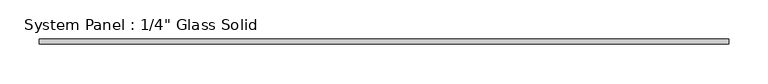
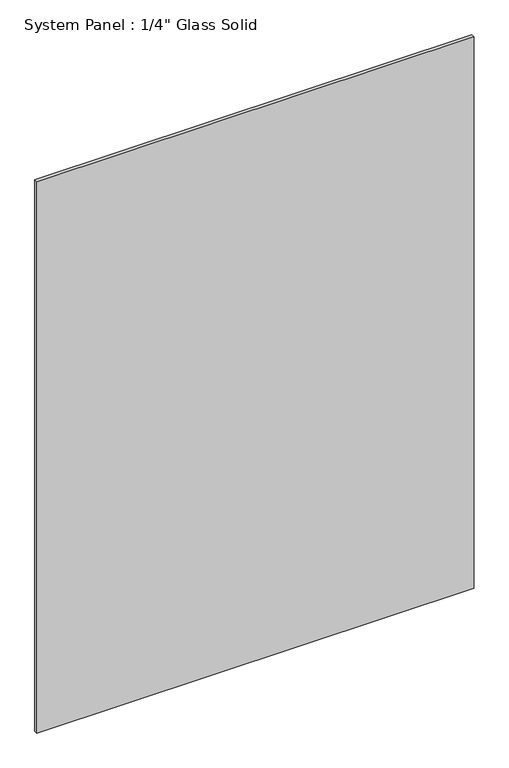
"""IFC4 building model written with IfcOpenShell, lengths in millimetres: plate geometry."""

from ifc_helpers import new_model, si_unit, origin, origin_with_axes, place, context, project, spatial, polyline, outline, extrude, source, transform, mapped, element, save


def plate_c58b7fe0(model_context):
    return source(origin(), model_context, "Body", "SweptSolid", [
        extrude(outline(polyline([(436.5633852, -3.175), (-436.5633852, -3.175), (-436.5633852, 3.175), (436.5633852, 3.175), (436.5633852, -3.175)])), origin_with_axes(), (0.0, 0.0, 1.0), 1164.0691382),
    ])


if __name__ == "__main__":
    model = new_model("IFC4")
    model_context = context("Model", 3, world=origin())
    ifc_project = project(units=[si_unit("LENGTHUNIT", "METRE", prefix="MILLI")], contexts=[model_context])
    site = spatial("IfcSite", under=ifc_project)
    building = spatial("IfcBuilding", under=site)
    placement = place(None, origin())
    plate_shape = plate_c58b7fe0(model_context)
    element("IfcPlate", 1, ObjectType="System Panel : 1/4\" Glass Solid", at=placement, inside=building, context=model_context, shape_type="MappedRepresentation", body=[
        mapped(plate_shape, transform((0.0, 0.0, 0.0), x_axis=(1.0, 0.0, 0.0), y_axis=(0.0, 1.0, 0.0), z_axis=(0.0, 0.0, 1.0))),
    ])
    save(model, "model.ifc")
